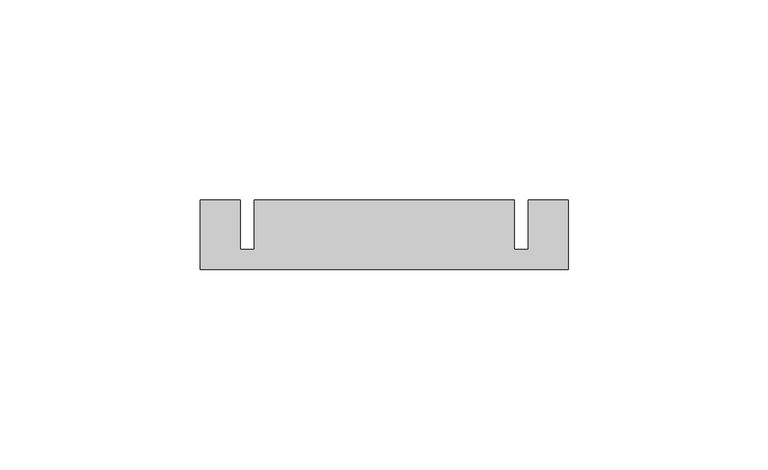
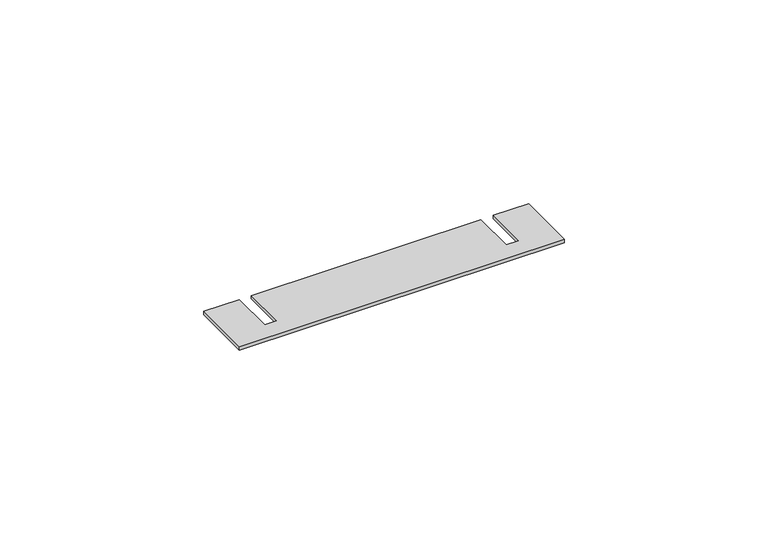
"""IFC4 building model written with IfcOpenShell, lengths in millimetres: proxy geometry."""

import ifcopenshell
import ifcopenshell.guid

model = None  # the IFC model being written
_history = None  # IfcOwnerHistory: only IFC2X3 demands one
_inside = {}  # id of a spatial element -> (the spatial element, [elements in it])
_under = {}  # id of a project, library or spatial element -> (it, [spatial elements below it])
_declared = {}  # id of a project -> (the project, [libraries it declares])
_typed = {}  # id of a type object -> (the type object, [elements of that type])
_made_of = {}  # id of a material, layer set ... -> (it, [elements and type objects made of it])


def new_model(schema):
    """Start an empty IFC model of exactly this schema.

    Asked for "IFC4X3", IfcOpenShell would pick the latest addendum, in which some entities
    have other attributes; the version numbers below select the first issue.
    IFC2X3 requires an IfcOwnerHistory on every rooted entity: one is made here for all.
    """
    global model, _history
    if schema == "IFC4X3":
        model = ifcopenshell.file(schema_version=(4, 3, 0, 0))
    else:
        model = ifcopenshell.file(schema=schema)
    _inside.clear()
    _under.clear()
    _declared.clear()
    _typed.clear()
    _made_of.clear()
    _history = None
    if model.schema == "IFC2X3":
        org = make("IfcOrganization", Name="unknown")
        user = make(
            "IfcPersonAndOrganization",
            ThePerson=make("IfcPerson", FamilyName="unknown"),
            TheOrganization=org,
        )
        app = make(
            "IfcApplication",
            ApplicationDeveloper=org,
            Version="unknown",
            ApplicationFullName="unknown",
            ApplicationIdentifier="unknown",
        )
        _history = make(
            "IfcOwnerHistory",
            OwningUser=user,
            OwningApplication=app,
            ChangeAction="ADDED",
            CreationDate=0,
        )
    return model


def make(cls, **values):
    """One entity of the class cls with the attributes given. An attribute that is None is left unset."""
    return model.create_entity(
        cls, **{name: value for name, value in values.items() if value is not None}
    )


def rooted(cls, **values):
    """An entity with a GlobalId (a new one), such as an element, a storey or a relation."""
    return make(cls, GlobalId=ifcopenshell.guid.new(), OwnerHistory=_history, **values)


def si_unit(unit_type, name, prefix=None):
    """IfcSIUnit, for example si_unit("LENGTHUNIT", "METRE", prefix="MILLI")."""
    return make("IfcSIUnit", UnitType=unit_type, Prefix=prefix, Name=name)


def assignment(units):
    """IfcUnitAssignment: the units of a project."""
    return None if units is None else make("IfcUnitAssignment", Units=units)


def point(xyz):
    """IfcCartesianPoint."""
    return None if xyz is None else make("IfcCartesianPoint", Coordinates=xyz)


def direction(xyz):
    """IfcDirection."""
    return None if xyz is None else make("IfcDirection", DirectionRatios=xyz)


def frame(location, z_axis=None, x_axis=None):
    """IfcAxis2Placement3D, a coordinate frame: its origin and axes. An axis left out is left unset."""
    return make(
        "IfcAxis2Placement3D",
        Location=point(location),
        Axis=direction(z_axis),
        RefDirection=direction(x_axis),
    )


def origin():
    """The frame at (0, 0, 0) with its axes left unset."""
    return frame((0.0, 0.0, 0.0))


def origin_with_axes():
    """The frame at (0, 0, 0) with the z axis (0, 0, 1) and the x axis (1, 0, 0) written out."""
    return frame((0.0, 0.0, 0.0), z_axis=(0.0, 0.0, 1.0), x_axis=(1.0, 0.0, 0.0))


def place(relative_to, where):
    """IfcLocalPlacement: puts the frame where relative to a parent placement (None: the world)."""
    return make(
        "IfcLocalPlacement", PlacementRelTo=relative_to, RelativePlacement=where
    )


def context(
    kind, dimensions, precision=None, world=None, true_north=None, identifier=None
):
    """IfcGeometricRepresentationContext, for example the 3D "Model" context."""
    return make(
        "IfcGeometricRepresentationContext",
        ContextIdentifier=identifier,
        ContextType=kind,
        CoordinateSpaceDimension=dimensions,
        Precision=precision,
        WorldCoordinateSystem=world,
        TrueNorth=true_north,
    )


def project(units=None, contexts=None):
    """IfcProject with its units and contexts."""
    return rooted(
        "IfcProject",
        Name="project",
        RepresentationContexts=contexts,
        UnitsInContext=assignment(units),
    )


def spatial(cls, under=None, at=None, **own):
    """A site, building, storey or space (cls), placed at a placement, below another one or the project."""
    s = rooted(cls, ObjectPlacement=at, **own)
    if under is not None:
        _under.setdefault(under.id(), (under, []))[1].append(s)
    return s


def polyline(points):
    """IfcPolyline through the points."""
    return make("IfcPolyline", Points=[point(p) for p in points])


def outline(outer, holes=None, kind="AREA"):
    """IfcArbitraryClosedProfileDef: a profile drawn as a closed curve; with holes, ...WithVoids."""
    if holes is None:
        return make("IfcArbitraryClosedProfileDef", ProfileType=kind, OuterCurve=outer)
    return make(
        "IfcArbitraryProfileDefWithVoids",
        ProfileType=kind,
        OuterCurve=outer,
        InnerCurves=holes,
    )


def extrude(swept, where, along, depth):
    """IfcExtrudedAreaSolid: the profile swept, set in the frame where, extruded along a direction by depth."""
    return make(
        "IfcExtrudedAreaSolid",
        SweptArea=swept,
        Position=where,
        ExtrudedDirection=direction(along),
        Depth=depth,
    )


def shape(context_of_items, identifier, shape_type, items):
    """IfcShapeRepresentation: the items that make up one representation, for example the "Body"."""
    return make(
        "IfcShapeRepresentation",
        ContextOfItems=context_of_items,
        RepresentationIdentifier=identifier,
        RepresentationType=shape_type,
        Items=items,
    )


def source(mapping_origin, context_of_items, identifier, shape_type, items):
    """IfcRepresentationMap: a shape defined once, which mapped items show again and again."""
    return make(
        "IfcRepresentationMap",
        MappingOrigin=mapping_origin,
        MappedRepresentation=shape(context_of_items, identifier, shape_type, items),
    )


def transform(
    local_origin,
    x_axis=None,
    y_axis=None,
    z_axis=None,
    scale=None,
    scale2=None,
    scale3=None,
    uniform=True,
):
    """IfcCartesianTransformationOperator3D, or its non-uniform kind. x_axis, y_axis, z_axis: its Axis1, 2, 3."""
    if uniform:
        return make(
            "IfcCartesianTransformationOperator3D",
            Axis1=direction(x_axis),
            Axis2=direction(y_axis),
            LocalOrigin=point(local_origin),
            Scale=scale,
            Axis3=direction(z_axis),
        )
    return make(
        "IfcCartesianTransformationOperator3DnonUniform",
        Axis1=direction(x_axis),
        Axis2=direction(y_axis),
        LocalOrigin=point(local_origin),
        Scale=scale,
        Axis3=direction(z_axis),
        Scale2=scale2,
        Scale3=scale3,
    )


def mapped(mapping_source, mapping_target):
    """IfcMappedItem: shows the shape of a source again, moved by a transform."""
    return make(
        "IfcMappedItem", MappingSource=mapping_source, MappingTarget=mapping_target
    )


def made_of(thing, what):
    """Note that an element or type object is made of a material, layer set ...; save() writes the relation."""
    if what is not None:
        _made_of.setdefault(what.id(), (what, []))[1].append(thing)
    return thing


def element(
    cls,
    number,
    at=None,
    inside=None,
    cuts=None,
    type_object=None,
    material=None,
    context=None,
    identifier="Body",
    shape_type=None,
    held_by="IfcProductDefinitionShape",
    body=None,
    shapes=None,
    **own,
):
    """One element of the class cls, such as IfcWall. Its Tag is "e" and its number.

    at: its placement. inside: the storey or other place that contains it. cuts: it is an
    opening in that element (IfcRelVoidsElement). A single representation is given by context,
    identifier, shape_type and body (its items); several are given by shapes. held_by: the class
    of the entity that holds the representations. save() writes the other relations.
    """
    e = rooted(cls, Tag="e%d" % number, ObjectPlacement=at, **own)
    if body is not None:
        shapes = [shape(context, identifier, shape_type, body)]
    if shapes is not None:
        e.Representation = make(held_by, Representations=shapes)
    if inside is not None:
        _inside.setdefault(inside.id(), (inside, []))[1].append(e)
    if cuts is not None:
        rooted(
            "IfcRelVoidsElement", RelatingBuildingElement=cuts, RelatedOpeningElement=e
        )
    if type_object is not None:
        _typed.setdefault(type_object.id(), (type_object, []))[1].append(e)
    return made_of(e, material)


def aggregate(whole, parts):
    """IfcRelAggregates: a whole, such as a stair, and the parts it consists of."""
    return rooted("IfcRelAggregates", RelatingObject=whole, RelatedObjects=parts)


def save(model, path):
    """Write the relations noted so far, then the file.

    IfcRelAggregates (storeys below a building ...), IfcRelContainedInSpatialStructure (elements
    in a storey), IfcRelDefinesByType, IfcRelAssociatesMaterial and IfcRelDeclares: one each for
    every whole, place, type object, material and project.
    """
    for whole, parts in _under.values():
        aggregate(whole, parts)
    for where, things in _inside.values():
        rooted(
            "IfcRelContainedInSpatialStructure",
            RelatedElements=things,
            RelatingStructure=where,
        )
    for kind, things in _typed.values():
        rooted("IfcRelDefinesByType", RelatedObjects=things, RelatingType=kind)
    for what, things in _made_of.values():
        rooted("IfcRelAssociatesMaterial", RelatedObjects=things, RelatingMaterial=what)
    for by, libraries in _declared.values():
        rooted("IfcRelDeclares", RelatingContext=by, RelatedDefinitions=libraries)
    model.write(path)


def generic_models_bbe4bbc4(model_context):
    return source(origin(), model_context, "Body", "SweptSolid", [
        extrude(outline(polyline([(82.0, -5.0), (-10.0, -5.0), (-10.0, 12.5), (0.0, 12.5), (0.0, 0.0), (3.5, 0.0), (3.5, 12.5), (68.5, 12.5), (68.5, 0.0), (72.0, 0.0), (72.0, 12.5), (82.0, 12.5), (82.0, -5.0)])), origin_with_axes(), (0.0, 0.0, 1.0), 1.0),
    ])


if __name__ == "__main__":
    model = new_model("IFC4")
    model_context = context("Model", 3, world=origin())
    ifc_project = project(units=[si_unit("LENGTHUNIT", "METRE", prefix="MILLI")], contexts=[model_context])
    site = spatial("IfcSite", under=ifc_project)
    building = spatial("IfcBuilding", under=site)
    placement = place(None, origin())
    generic_models_shape = generic_models_bbe4bbc4(model_context)
    element("IfcBuildingElementProxy", 1, Name="Generic Models", at=placement, inside=building, context=model_context, shape_type="MappedRepresentation", body=[
        mapped(generic_models_shape, transform((0.0, 0.0, 0.0), x_axis=(1.0, 0.0, 0.0), y_axis=(0.0, 1.0, 0.0), z_axis=(0.0, 0.0, 1.0))),
    ])
    save(model, "model.ifc")
